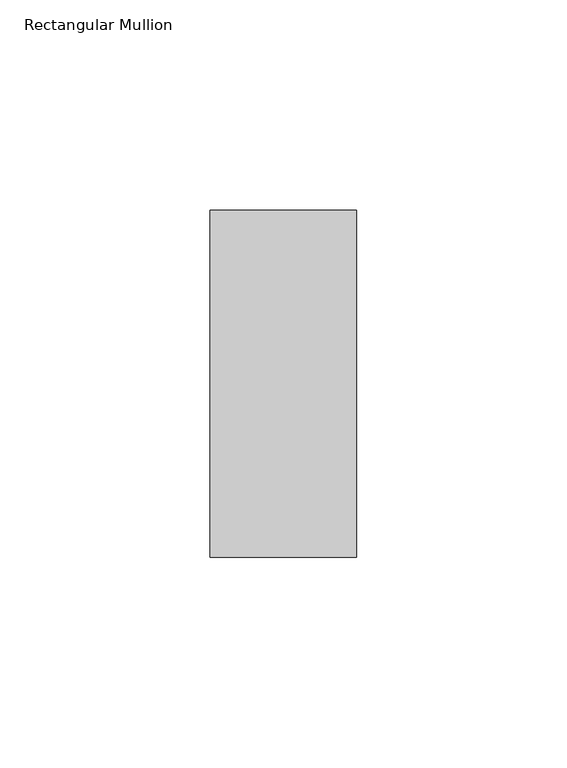
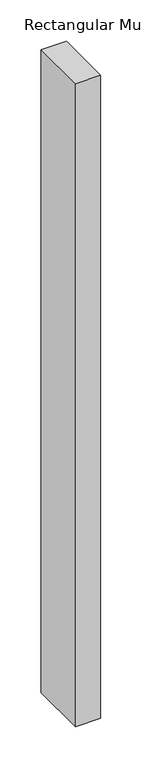
"""IFC4 building model written with IfcOpenShell, lengths in millimetres: member geometry, Rectangular Mullion."""

from ifc_helpers import new_model, si_unit, frame, origin, place, context, project, spatial, polyline, outline, extrude, source, transform, mapped, element, save


def rectangular_mullion_76b081b1(model_context):
    return source(origin(), model_context, "Body", "SweptSolid", [
        extrude(outline(polyline([(-34.925, -73.025), (-34.925, 9.525), (0.0, 9.525), (0.0, -73.025), (-34.925, -73.025)])), frame((0.0, 0.0, -946.15), z_axis=(0.0, 0.0, 1.0), x_axis=(1.0, 0.0, 0.0)), (0.0, 0.0, 1.0), 946.15),
    ])


if __name__ == "__main__":
    model = new_model("IFC4")
    model_context = context("Model", 3, world=origin())
    ifc_project = project(units=[si_unit("LENGTHUNIT", "METRE", prefix="MILLI")], contexts=[model_context])
    site = spatial("IfcSite", under=ifc_project)
    building = spatial("IfcBuilding", under=site)
    placement = place(None, origin())
    rectangular_mullion_shape = rectangular_mullion_76b081b1(model_context)
    element("IfcMember", 1, ObjectType="Rectangular Mullion", at=placement, inside=building, context=model_context, shape_type="MappedRepresentation", body=[
        mapped(rectangular_mullion_shape, transform((0.0, 0.0, 0.0), x_axis=(1.0, 0.0, 0.0), y_axis=(0.0, 1.0, 0.0), z_axis=(0.0, 0.0, 1.0))),
    ])
    save(model, "model.ifc")
